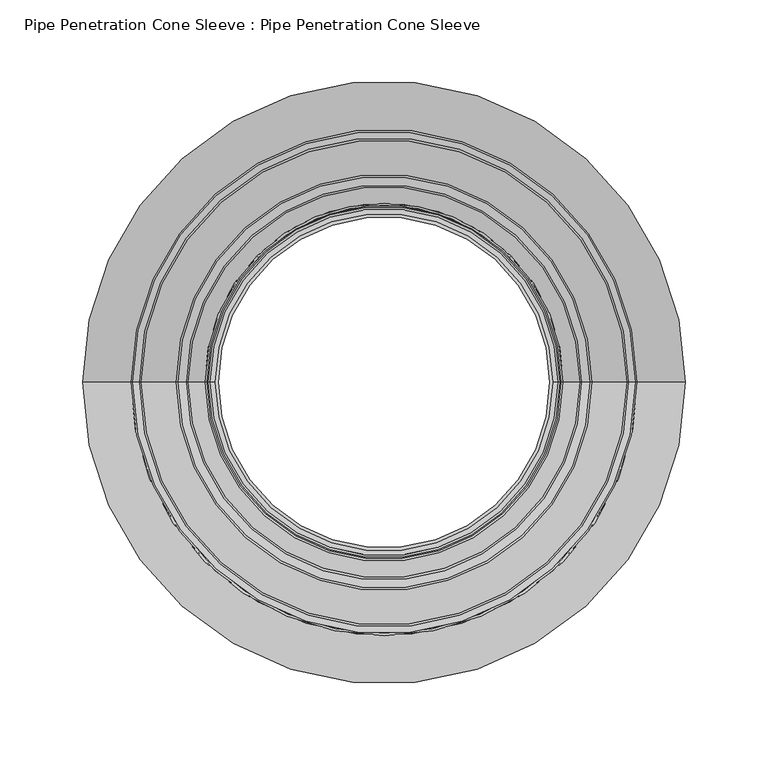
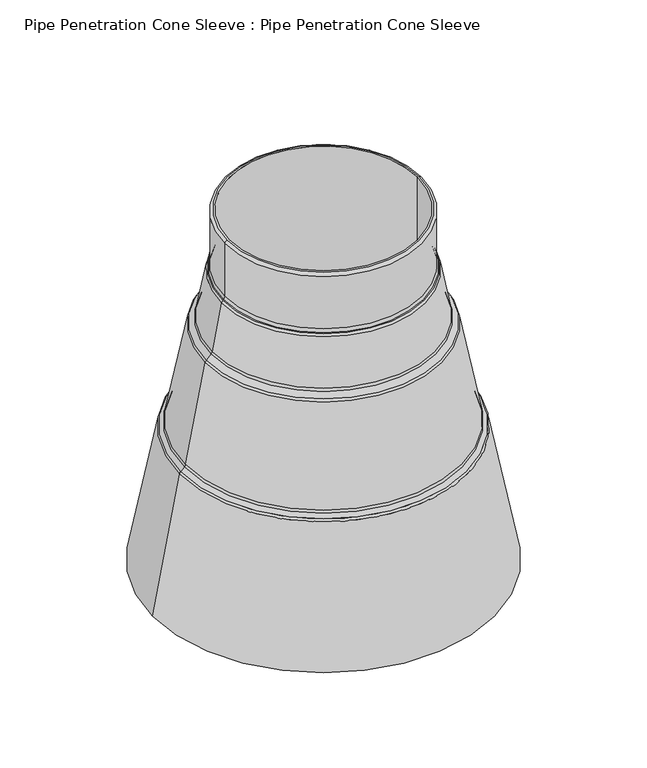
"""IFC4 building model written with IfcOpenShell, lengths in millimetres: proxy geometry, Pipe Penetration Cone Sleeve : Pipe Penetration Cone Sleeve."""

from ifc_helpers import new_model, si_unit, point, frame, origin, place, context, project, spatial, polyline, circle_curve, ellipse_curve, trimmed, source, transform, mapped, element, save
from ifc_brep_helpers import plane_surface, cylinder_surface, revolved_surface, advanced_brep


def pipe_penetration_cone_sleeve_pipe_penetration_cone_sleeve_323fa556(model_context):
    return source(origin(), model_context, "Body", "AdvancedBrep", [
        advanced_brep(
        [(4263.6885405, 3896.25, 6298.0553219), (4463.6885405, 3896.25, 6298.0553219), (4463.6885405, 3896.25, 5903.0553219), (4263.6885405, 3896.25, 5903.0553219), (4258.6885405, 3896.25, 6236.1736828), (4468.6885405, 3896.25, 6236.1736828), (4468.6885405, 3896.25, 6295.0558584), (4258.6885405, 3896.25, 6295.0558584), (4256.6511008, 3896.25, 6232.0651753), (4470.7259802, 3896.25, 6232.0651753), (4470.1530066, 3896.25, 6232.6381489), (4257.2240744, 3896.25, 6232.6381489), (4245.3673657, 3896.25, 6178.4953268), (4482.0097153, 3896.25, 6178.4953268), (4472.0985822, 3896.25, 6229.4836864), (4255.2784988, 3896.25, 6229.4836864), (4239.0855382, 3896.25, 6171.0046124), (4488.2915427, 3896.25, 6171.0046124), (4483.3823173, 3896.25, 6175.9138378), (4243.9947637, 3896.25, 6175.9138378), (4216.903764, 3896.25, 6061.3692131), (4510.4733169, 3896.25, 6061.3692131), (4489.6641447, 3896.25, 6168.4231235), (4237.7129362, 3896.25, 6168.4231235), (4211.8389196, 3896.25, 6055.0954818), (4515.5381613, 3896.25, 6055.0954818), (4511.8459189, 3896.25, 6058.7877242), (4215.531162, 3896.25, 6058.7877242), (4181.414495, 3896.25, 5903.0553219), (4545.962586, 3896.25, 5903.0553219), (4516.9107633, 3896.25, 6052.5139928), (4210.4663176, 3896.25, 6052.5139928), (4465.6890769, 3896.25, 6298.0553219), (4261.688004, 3896.25, 6298.0553219)],
        [
            (0, 1, circle_curve(frame((4363.6885405, 3896.25, 6298.0553219), z_axis=(0.0, 0.0, 1.0), x_axis=(1.0, 0.0, 0.0)), 100.0)),
            (1, 2),
            (2, 3, circle_curve(frame((4363.6885405, 3896.25, 5903.0553219), z_axis=(0.0, 0.0, -1.0), x_axis=(1.0, 0.0, 0.0)), 100.0)),
            (3, 0),
            (4, 5, circle_curve(frame((4363.6885405, 3896.25, 6236.1736828), z_axis=(0.0, 0.0, 1.0), x_axis=(1.0, 0.0, 0.0)), 105.0)),
            (5, 6),
            (6, 7, circle_curve(frame((4363.6885405, 3896.25, 6295.0558584), z_axis=(0.0, 0.0, -1.0), x_axis=(1.0, 0.0, 0.0)), 105.0)),
            (7, 4),
            (8, 9, circle_curve(frame((4363.6885405, 3896.25, 6232.0651753), z_axis=(0.0, 0.0, 1.0), x_axis=(1.0, 0.0, 0.0)), 107.0374397)),
            (9, 10),
            (10, 11, circle_curve(frame((4363.6885405, 3896.25, 6232.6381489), z_axis=(0.0, 0.0, -1.0), x_axis=(1.0, 0.0, 0.0)), 106.4644661)),
            (11, 8),
            (12, 13, circle_curve(frame((4363.6885405, 3896.25, 6178.4953268), z_axis=(0.0, 0.0, 1.0), x_axis=(1.0, 0.0, 0.0)), 118.3211748)),
            (13, 14),
            (14, 15, circle_curve(frame((4363.6885405, 3896.25, 6229.4836864), z_axis=(0.0, 0.0, -1.0), x_axis=(1.0, 0.0, 0.0)), 108.4100417)),
            (15, 12),
            (16, 17, circle_curve(frame((4363.6885405, 3896.25, 6171.0046124), z_axis=(0.0, 0.0, 1.0), x_axis=(1.0, 0.0, 0.0)), 124.6030022)),
            (17, 18),
            (18, 19, circle_curve(frame((4363.6885405, 3896.25, 6175.9138378), z_axis=(0.0, 0.0, -1.0), x_axis=(1.0, 0.0, 0.0)), 119.6937768)),
            (19, 16),
            (20, 21, circle_curve(frame((4363.6885405, 3896.25, 6061.3692131), z_axis=(0.0, 0.0, 1.0), x_axis=(1.0, 0.0, 0.0)), 146.7847764)),
            (21, 22),
            (22, 23, circle_curve(frame((4363.6885405, 3896.25, 6168.4231235), z_axis=(0.0, 0.0, -1.0), x_axis=(1.0, 0.0, 0.0)), 125.9756043)),
            (23, 20),
            (24, 25, circle_curve(frame((4363.6885405, 3896.25, 6055.0954818), z_axis=(0.0, 0.0, 1.0), x_axis=(1.0, 0.0, 0.0)), 151.8496208)),
            (25, 26),
            (26, 27, circle_curve(frame((4363.6885405, 3896.25, 6058.7877242), z_axis=(0.0, 0.0, -1.0), x_axis=(1.0, 0.0, 0.0)), 148.1573785)),
            (27, 24),
            (28, 29, circle_curve(frame((4363.6885405, 3896.25, 5903.0553219), z_axis=(0.0, 0.0, 1.0), x_axis=(1.0, 0.0, 0.0)), 182.2740455)),
            (29, 30),
            (30, 31, circle_curve(frame((4363.6885405, 3896.25, 6052.5139928), z_axis=(0.0, 0.0, -1.0), x_axis=(1.0, 0.0, 0.0)), 153.2222229)),
            (31, 28),
            (1, 0, circle_curve(frame((4363.6885405, 3896.25, 6298.0553219), z_axis=(0.0, 0.0, 1.0), x_axis=(-1.0, 0.0, 0.0)), 100.0)),
            (3, 2, circle_curve(frame((4363.6885405, 3896.25, 5903.0553219), z_axis=(0.0, 0.0, -1.0), x_axis=(-1.0, 0.0, 0.0)), 100.0)),
            (32, 33, circle_curve(frame((4363.6885405, 3896.25, 6298.0553219), z_axis=(0.0, 0.0, 1.0), x_axis=(-1.0, 0.0, 0.0)), 102.0005365)),
            (33, 32, circle_curve(frame((4363.6885405, 3896.25, 6298.0553219), z_axis=(0.0, 0.0, 1.0), x_axis=(1.0, 0.0, 0.0)), 102.0005365)),
            (5, 4, circle_curve(frame((4363.6885405, 3896.25, 6236.1736828), z_axis=(0.0, 0.0, 1.0), x_axis=(-1.0, 0.0, 0.0)), 105.0)),
            (7, 6, circle_curve(frame((4363.6885405, 3896.25, 6295.0558584), z_axis=(0.0, 0.0, -1.0), x_axis=(-1.0, 0.0, 0.0)), 105.0)),
            (9, 8, circle_curve(frame((4363.6885405, 3896.25, 6232.0651753), z_axis=(0.0, 0.0, 1.0), x_axis=(-1.0, 0.0, 0.0)), 107.0374397)),
            (11, 10, circle_curve(frame((4363.6885405, 3896.25, 6232.6381489), z_axis=(0.0, 0.0, -1.0), x_axis=(-1.0, 0.0, 0.0)), 106.4644661)),
            (13, 12, circle_curve(frame((4363.6885405, 3896.25, 6178.4953268), z_axis=(0.0, 0.0, 1.0), x_axis=(-1.0, 0.0, 0.0)), 118.3211748)),
            (15, 14, circle_curve(frame((4363.6885405, 3896.25, 6229.4836864), z_axis=(0.0, 0.0, -1.0), x_axis=(-1.0, 0.0, 0.0)), 108.4100417)),
            (17, 16, circle_curve(frame((4363.6885405, 3896.25, 6171.0046124), z_axis=(0.0, 0.0, 1.0), x_axis=(-1.0, 0.0, 0.0)), 124.6030022)),
            (19, 18, circle_curve(frame((4363.6885405, 3896.25, 6175.9138378), z_axis=(0.0, 0.0, -1.0), x_axis=(-1.0, 0.0, 0.0)), 119.6937768)),
            (21, 20, circle_curve(frame((4363.6885405, 3896.25, 6061.3692131), z_axis=(0.0, 0.0, 1.0), x_axis=(-1.0, 0.0, 0.0)), 146.7847764)),
            (23, 22, circle_curve(frame((4363.6885405, 3896.25, 6168.4231235), z_axis=(0.0, 0.0, -1.0), x_axis=(-1.0, 0.0, 0.0)), 125.9756043)),
            (25, 24, circle_curve(frame((4363.6885405, 3896.25, 6055.0954818), z_axis=(0.0, 0.0, 1.0), x_axis=(-1.0, 0.0, 0.0)), 151.8496208)),
            (27, 26, circle_curve(frame((4363.6885405, 3896.25, 6058.7877242), z_axis=(0.0, 0.0, -1.0), x_axis=(-1.0, 0.0, 0.0)), 148.1573785)),
            (29, 28, circle_curve(frame((4363.6885405, 3896.25, 5903.0553219), z_axis=(0.0, 0.0, 1.0), x_axis=(-1.0, 0.0, 0.0)), 182.2740455)),
            (31, 30, circle_curve(frame((4363.6885405, 3896.25, 6052.5139928), z_axis=(0.0, 0.0, -1.0), x_axis=(-1.0, 0.0, 0.0)), 153.2222229)),
            (10, 5, circle_curve(frame((4473.6885405, 3896.25, 6236.1736828), z_axis=(0.0, 1.0, 0.0), x_axis=(1.0, 0.0, 0.0)), 5.0)),
            (4, 11, circle_curve(frame((4253.6885405, 3896.25, 6236.1736828), z_axis=(0.0, 1.0, 0.0), x_axis=(-1.0, 0.0, 0.0)), 5.0)),
            (14, 9, circle_curve(frame((4467.1904463, 3896.25, 6228.5296414), z_axis=(0.0, -1.0, 0.0), x_axis=(1.0, 0.0, 0.0)), 5.0)),
            (8, 15, circle_curve(frame((4260.1866347, 3896.25, 6228.5296414), z_axis=(0.0, -1.0, 0.0), x_axis=(-1.0, 0.0, 0.0)), 5.0)),
            (18, 13, circle_curve(frame((4486.9178512, 3896.25, 6179.4493717), z_axis=(0.0, 1.0, 0.0), x_axis=(1.0, 0.0, 0.0)), 5.0)),
            (12, 19, circle_curve(frame((4240.4592298, 3896.25, 6179.4493717), z_axis=(0.0, 1.0, 0.0), x_axis=(-1.0, 0.0, 0.0)), 5.0)),
            (22, 17, circle_curve(frame((4484.7560088, 3896.25, 6167.4690785), z_axis=(0.0, -1.0, 0.0), x_axis=(1.0, 0.0, 0.0)), 5.0)),
            (16, 23, circle_curve(frame((4242.6210721, 3896.25, 6167.4690785), z_axis=(0.0, -1.0, 0.0), x_axis=(-1.0, 0.0, 0.0)), 5.0)),
            (26, 21, circle_curve(frame((4515.3814528, 3896.25, 6062.3232581), z_axis=(0.0, 1.0, 0.0), x_axis=(1.0, 0.0, 0.0)), 5.0)),
            (20, 27, circle_curve(frame((4211.9956281, 3896.25, 6062.3232581), z_axis=(0.0, 1.0, 0.0), x_axis=(-1.0, 0.0, 0.0)), 5.0)),
            (30, 25, circle_curve(frame((4512.0026274, 3896.25, 6051.5599479), z_axis=(0.0, -1.0, 0.0), x_axis=(1.0, 0.0, 0.0)), 5.0)),
            (24, 31, circle_curve(frame((4215.3744535, 3896.25, 6051.5599479), z_axis=(0.0, -1.0, 0.0), x_axis=(-1.0, 0.0, 0.0)), 5.0)),
            (6, 32, circle_curve(frame((4465.6890769, 3896.25, 6295.0558584), z_axis=(0.0, -1.0, 0.0), x_axis=(1.0, 0.0, 0.0)), 2.9994635)),
            (33, 7, circle_curve(frame((4261.688004, 3896.25, 6295.0558584), z_axis=(0.0, -1.0, 0.0), x_axis=(-1.0, 0.0, 0.0)), 2.9994635)),
        ],
        [
            revolved_surface(polyline([(4463.6885405, 3896.25, 5903.0553219), (4463.6885405, 3896.25, 6298.0553219)]), (4363.6885405, 3896.25, 6708.0553219), (0.0, 0.0, -1.0)),
            cylinder_surface(frame((4363.6885405, 3896.25, 6708.0553219), z_axis=(0.0, 0.0, -1.0), x_axis=(1.0, 0.0, 0.0)), 105.0),
            revolved_surface(polyline([(4470.1530066, 3896.25, 6232.6381489), (4470.7259802, 3896.25, 6232.0651753)]), (4363.6885405, 3896.25, 6708.0553219), (0.0, 0.0, -1.0)),
            revolved_surface(polyline([(4472.0985822, 3896.25, 6229.4836864), (4482.0097153, 3896.25, 6178.4953268)]), (4363.6885405, 3896.25, 6708.0553219), (0.0, 0.0, -1.0)),
            revolved_surface(polyline([(4483.3823173, 3896.25, 6175.9138378), (4488.2915427, 3896.25, 6171.0046124)]), (4363.6885405, 3896.25, 6708.0553219), (0.0, 0.0, -1.0)),
            revolved_surface(polyline([(4489.6641447, 3896.25, 6168.4231235), (4510.4733169, 3896.25, 6061.3692131)]), (4363.6885405, 3896.25, 6708.0553219), (0.0, 0.0, -1.0)),
            revolved_surface(polyline([(4511.8459189, 3896.25, 6058.7877242), (4515.5381613, 3896.25, 6055.0954818)]), (4363.6885405, 3896.25, 6708.0553219), (0.0, 0.0, -1.0)),
            revolved_surface(polyline([(4516.9107633, 3896.25, 6052.5139928), (4545.962586, 3896.25, 5903.0553219)]), (4363.6885405, 3896.25, 6708.0553219), (0.0, 0.0, -1.0)),
            revolved_surface(polyline([(4263.6885405, 3896.25, 5903.0553219), (4263.6885405, 3896.25, 6298.0553219)]), (4363.6885405, 3896.25, 6708.0553219), (0.0, 0.0, -1.0)),
            plane_surface(frame((4363.6885405, 3896.25, 6298.0553219), z_axis=(0.0, 0.0, 1.0), x_axis=(-1.0, 0.0, 0.0))),
            cylinder_surface(frame((4363.6885405, 3896.25, 6708.0553219), z_axis=(0.0, 0.0, -1.0), x_axis=(-1.0, 0.0, 0.0)), 105.0),
            revolved_surface(polyline([(4257.2240744, 3896.25, 6232.6381489), (4256.6511008, 3896.25, 6232.0651753)]), (4363.6885405, 3896.25, 6708.0553219), (0.0, 0.0, -1.0)),
            revolved_surface(polyline([(4255.2784988, 3896.25, 6229.4836864), (4245.3673657, 3896.25, 6178.4953268)]), (4363.6885405, 3896.25, 6708.0553219), (0.0, 0.0, -1.0)),
            revolved_surface(polyline([(4243.9947637, 3896.25, 6175.9138378), (4239.0855382, 3896.25, 6171.0046124)]), (4363.6885405, 3896.25, 6708.0553219), (0.0, 0.0, -1.0)),
            revolved_surface(polyline([(4237.7129362, 3896.25, 6168.4231235), (4216.903764, 3896.25, 6061.3692131)]), (4363.6885405, 3896.25, 6708.0553219), (0.0, 0.0, -1.0)),
            revolved_surface(polyline([(4215.531162, 3896.25, 6058.7877242), (4211.8389196, 3896.25, 6055.0954818)]), (4363.6885405, 3896.25, 6708.0553219), (0.0, 0.0, -1.0)),
            revolved_surface(polyline([(4210.4663176, 3896.25, 6052.5139928), (4181.414495, 3896.25, 5903.0553219)]), (4363.6885405, 3896.25, 6708.0553219), (0.0, 0.0, -1.0)),
            plane_surface(frame((4363.6885405, 3896.25, 5903.0553219), z_axis=(0.0, 0.0, -1.0), x_axis=(-1.0, 0.0, 0.0))),
            revolved_surface(trimmed(ellipse_curve(frame((4473.6885405, 3896.25, 6236.1736828), z_axis=(0.0, -1.0, 0.0), x_axis=(1.0, 0.0, 0.0)), 5.0, 5.0), [point((4468.6885405, 3896.25, 6236.1736828))], [point((4470.1530066, 3896.25, 6232.6381489))], True, "CARTESIAN"), (4363.6885405, 3896.25, 6708.0553219), (0.0, 0.0, -1.0)),
            revolved_surface(trimmed(ellipse_curve(frame((4467.1904463, 3896.25, 6228.5296414), z_axis=(0.0, 1.0, 0.0), x_axis=(1.0, 0.0, 0.0)), 5.0, 5.0), [point((4470.7259802, 3896.25, 6232.0651753))], [point((4472.0985822, 3896.25, 6229.4836864))], True, "CARTESIAN"), (4363.6885405, 3896.25, 6708.0553219), (0.0, 0.0, -1.0)),
            revolved_surface(trimmed(ellipse_curve(frame((4486.9178512, 3896.25, 6179.4493717), z_axis=(0.0, -1.0, 0.0), x_axis=(1.0, 0.0, 0.0)), 5.0, 5.0), [point((4482.0097153, 3896.25, 6178.4953268))], [point((4483.3823173, 3896.25, 6175.9138378))], True, "CARTESIAN"), (4363.6885405, 3896.25, 6708.0553219), (0.0, 0.0, -1.0)),
            revolved_surface(trimmed(ellipse_curve(frame((4484.7560088, 3896.25, 6167.4690785), z_axis=(0.0, 1.0, 0.0), x_axis=(1.0, 0.0, 0.0)), 5.0, 5.0), [point((4488.2915427, 3896.25, 6171.0046124))], [point((4489.6641447, 3896.25, 6168.4231235))], True, "CARTESIAN"), (4363.6885405, 3896.25, 6708.0553219), (0.0, 0.0, -1.0)),
            revolved_surface(trimmed(ellipse_curve(frame((4515.3814528, 3896.25, 6062.3232581), z_axis=(0.0, -1.0, 0.0), x_axis=(1.0, 0.0, 0.0)), 5.0, 5.0), [point((4510.4733169, 3896.25, 6061.3692131))], [point((4511.8459189, 3896.25, 6058.7877242))], True, "CARTESIAN"), (4363.6885405, 3896.25, 6708.0553219), (0.0, 0.0, -1.0)),
            revolved_surface(trimmed(ellipse_curve(frame((4512.0026274, 3896.25, 6051.5599479), z_axis=(0.0, 1.0, 0.0), x_axis=(1.0, 0.0, 0.0)), 5.0, 5.0), [point((4515.5381613, 3896.25, 6055.0954818))], [point((4516.9107633, 3896.25, 6052.5139928))], True, "CARTESIAN"), (4363.6885405, 3896.25, 6708.0553219), (0.0, 0.0, -1.0)),
            revolved_surface(trimmed(ellipse_curve(frame((4253.6885405, 3896.25, 6236.1736828), z_axis=(0.0, 1.0, 0.0), x_axis=(-1.0, 0.0, 0.0)), 5.0, 5.0), [point((4258.6885405, 3896.25, 6236.1736828))], [point((4257.2240744, 3896.25, 6232.6381489))], True, "CARTESIAN"), (4363.6885405, 3896.25, 6708.0553219), (0.0, 0.0, -1.0)),
            revolved_surface(trimmed(ellipse_curve(frame((4260.1866347, 3896.25, 6228.5296414), z_axis=(0.0, -1.0, 0.0), x_axis=(-1.0, 0.0, 0.0)), 5.0, 5.0), [point((4256.6511008, 3896.25, 6232.0651753))], [point((4255.2784988, 3896.25, 6229.4836864))], True, "CARTESIAN"), (4363.6885405, 3896.25, 6708.0553219), (0.0, 0.0, -1.0)),
            revolved_surface(trimmed(ellipse_curve(frame((4240.4592298, 3896.25, 6179.4493717), z_axis=(0.0, 1.0, 0.0), x_axis=(-1.0, 0.0, 0.0)), 5.0, 5.0), [point((4245.3673657, 3896.25, 6178.4953268))], [point((4243.9947637, 3896.25, 6175.9138378))], True, "CARTESIAN"), (4363.6885405, 3896.25, 6708.0553219), (0.0, 0.0, -1.0)),
            revolved_surface(trimmed(ellipse_curve(frame((4242.6210721, 3896.25, 6167.4690785), z_axis=(0.0, -1.0, 0.0), x_axis=(-1.0, 0.0, 0.0)), 5.0, 5.0), [point((4239.0855382, 3896.25, 6171.0046124))], [point((4237.7129362, 3896.25, 6168.4231235))], True, "CARTESIAN"), (4363.6885405, 3896.25, 6708.0553219), (0.0, 0.0, -1.0)),
            revolved_surface(trimmed(ellipse_curve(frame((4211.9956281, 3896.25, 6062.3232581), z_axis=(0.0, 1.0, 0.0), x_axis=(-1.0, 0.0, 0.0)), 5.0, 5.0), [point((4216.903764, 3896.25, 6061.3692131))], [point((4215.531162, 3896.25, 6058.7877242))], True, "CARTESIAN"), (4363.6885405, 3896.25, 6708.0553219), (0.0, 0.0, -1.0)),
            revolved_surface(trimmed(ellipse_curve(frame((4215.3744535, 3896.25, 6051.5599479), z_axis=(0.0, -1.0, 0.0), x_axis=(-1.0, 0.0, 0.0)), 5.0, 5.0), [point((4211.8389196, 3896.25, 6055.0954818))], [point((4210.4663176, 3896.25, 6052.5139928))], True, "CARTESIAN"), (4363.6885405, 3896.25, 6708.0553219), (0.0, 0.0, -1.0)),
            revolved_surface(trimmed(ellipse_curve(frame((4465.6890769, 3896.25, 6295.0558584), z_axis=(0.0, 1.0, 0.0), x_axis=(1.0, 0.0, 0.0)), 2.9994635, 2.9994635), [point((4465.6890769, 3896.25, 6298.0553219))], [point((4468.6885405, 3896.25, 6295.0558584))], True, "CARTESIAN"), (4363.6885405, 3896.25, 6708.0553219), (0.0, 0.0, -1.0)),
            revolved_surface(trimmed(ellipse_curve(frame((4261.688004, 3896.25, 6295.0558584), z_axis=(0.0, -1.0, 0.0), x_axis=(-1.0, 0.0, 0.0)), 2.9994635, 2.9994635), [point((4261.688004, 3896.25, 6298.0553219))], [point((4258.6885405, 3896.25, 6295.0558584))], True, "CARTESIAN"), (4363.6885405, 3896.25, 6708.0553219), (0.0, 0.0, -1.0)),
        ],
        [
            (0, [[1, 2, 3, 4]]),
            (1, [[5, 6, 7, 8]]),
            (2, [[9, 10, 11, 12]]),
            (3, [[13, 14, 15, 16]]),
            (4, [[17, 18, 19, 20]]),
            (5, [[21, 22, 23, 24]]),
            (6, [[25, 26, 27, 28]]),
            (7, [[29, 30, 31, 32]]),
            (8, [[33, -4, 34, -2]]),
            (9, [[35, 36], [-33, -1]]),
            (10, [[37, -8, 38, -6]]),
            (11, [[39, -12, 40, -10]]),
            (12, [[41, -16, 42, -14]]),
            (13, [[43, -20, 44, -18]]),
            (14, [[45, -24, 46, -22]]),
            (15, [[47, -28, 48, -26]]),
            (16, [[49, -32, 50, -30]]),
            (17, [[-49, -29], [-34, -3]]),
            (18, [[-11, 51, -5, 52]]),
            (19, [[-15, 53, -9, 54]]),
            (20, [[-19, 55, -13, 56]]),
            (21, [[-23, 57, -17, 58]]),
            (22, [[-27, 59, -21, 60]]),
            (23, [[-31, 61, -25, 62]]),
            (24, [[-40, -52, -37, -51]]),
            (25, [[-42, -54, -39, -53]]),
            (26, [[-44, -56, -41, -55]]),
            (27, [[-46, -58, -43, -57]]),
            (28, [[-48, -60, -45, -59]]),
            (29, [[-50, -62, -47, -61]]),
            (30, [[-7, 63, -36, 64]]),
            (31, [[-38, -64, -35, -63]]),
        ],
    ),
    ])


if __name__ == "__main__":
    model = new_model("IFC4")
    model_context = context("Model", 3, world=origin())
    ifc_project = project(units=[si_unit("LENGTHUNIT", "METRE", prefix="MILLI")], contexts=[model_context])
    site = spatial("IfcSite", under=ifc_project)
    building = spatial("IfcBuilding", under=site)
    placement = place(None, origin())
    pipe_penetration_cone_sleeve_pipe_penetration_cone_sleeve_shape = pipe_penetration_cone_sleeve_pipe_penetration_cone_sleeve_323fa556(model_context)
    element("IfcBuildingElementProxy", 1, Name="Pipe Penetration Cone Sleeve : Pipe Penetration Cone Sleeve", ObjectType="Pipe Penetration Cone Sleeve : Pipe Penetration Cone Sleeve", at=placement, inside=building, context=model_context, shape_type="MappedRepresentation", body=[
        mapped(pipe_penetration_cone_sleeve_pipe_penetration_cone_sleeve_shape, transform((0.0, 0.0, 0.0), x_axis=(1.0, 0.0, 0.0), y_axis=(0.0, 1.0, 0.0), z_axis=(0.0, 0.0, 1.0))),
    ])
    save(model, "model.ifc")
